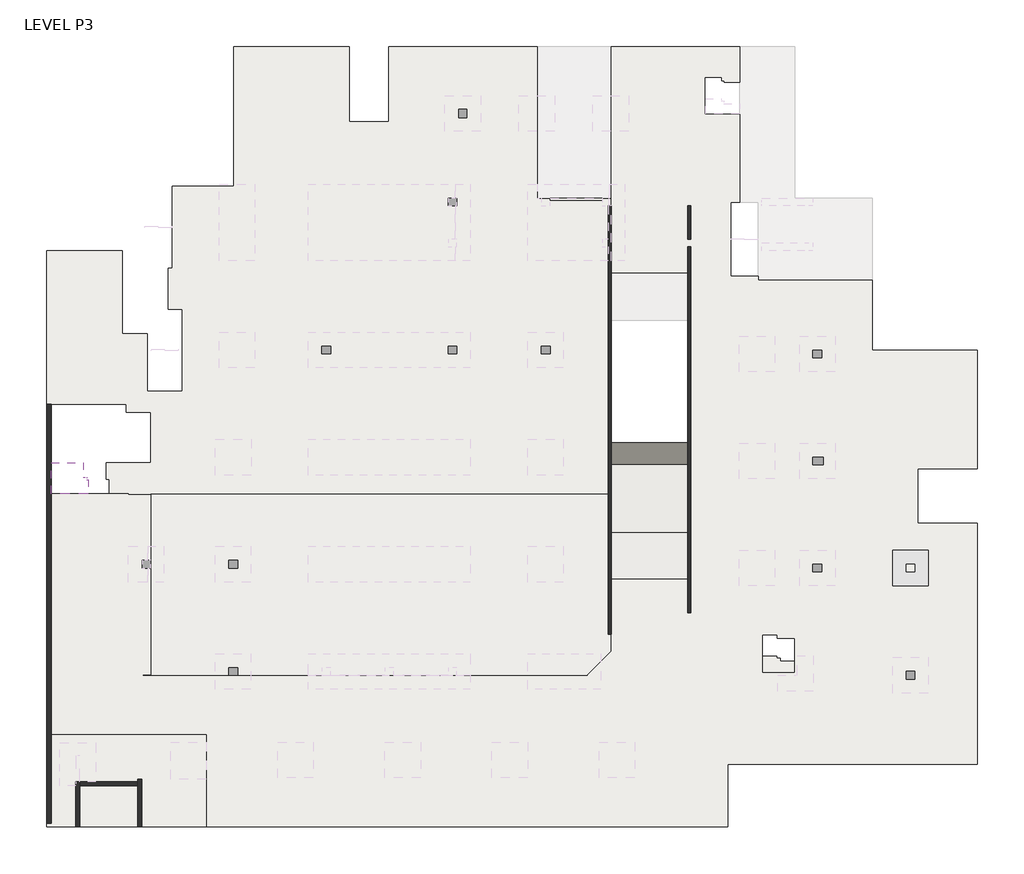
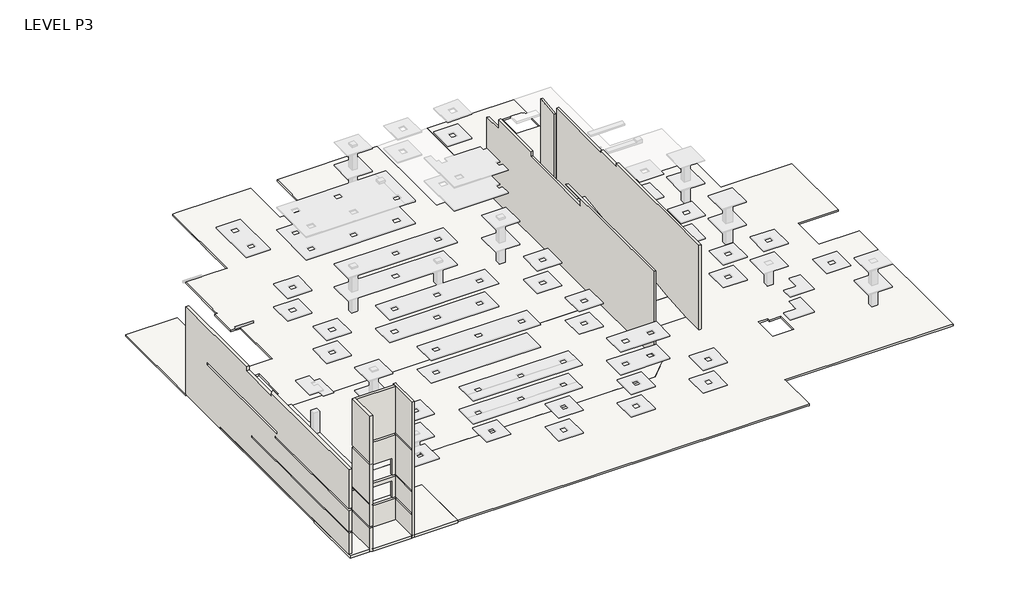
# One storey, part 1 of 4: 10 slabs, 7 walls.
"""IFC4 building model written with IfcOpenShell, lengths in millimetres."""

from ifc_helpers import new_model, si_unit, frame, origin, place, context, project, spatial, polyline, outline, extrude, faceted_brep, element, save

model = new_model("IFC4")

# Units and contexts
model_context = context("Model", 3, world=origin())
ifc_project = project(units=[si_unit("LENGTHUNIT", "METRE", prefix="MILLI")], contexts=[model_context])

# Site, building, storey
site = spatial("IfcSite", under=ifc_project)
building = spatial("IfcBuilding", under=site)
storey = spatial("IfcBuildingStorey", under=building, Name="LEVEL P3", Elevation=-11000.0)

# Slabs
placement = place(None, origin())
element("IfcSlab", 1, ObjectType="200 SLAB", at=placement, inside=storey, context=model_context, shape_type="SweptSolid", body=[
    extrude(outline(polyline([(181286.3204833, 183507.2325529), (178361.1491693, 183507.2325529), (178361.1491693, 185907.2325529), (180906.3204833, 185907.2325529), (180906.3204833, 184807.2325529), (181161.3204833, 184807.2325529), (181161.3204833, 184607.2325529), (181286.3204833, 184607.2325529), (181286.3204833, 183507.2325529)])), frame((0.0, 0.0, -9800.0), z_axis=(0.0, 0.0, 1.0), x_axis=(1.0, 0.0, 0.0)), (0.0, 0.0, 1.0), 200.0),
])
element("IfcSlab", 2, ObjectType="200 SLAB", at=placement, inside=storey, context=model_context, shape_type="Brep", body=[
    faceted_brep([(242751.1491692, 194763.2322067, -11000.0), (251011.1491692, 194763.2322067, -11000.0), (251011.1491692, 194163.2322067, -11000.0), (251011.1491692, 185463.2318341, -11000.0), (250711.1491692, 185463.2318341, -11000.0), (246311.1491692, 185463.2318341, -11000.0), (246311.1491692, 181163.2322067, -11000.0), (250711.1491692, 181163.2322067, -11000.0), (251011.1491692, 181163.2322067, -11000.0), (251011.1491692, 162263.2318341, -11000.0), (250711.1491692, 162263.2318341, -11000.0), (231436.3204833, 162263.2318341, -11000.0), (231436.3204833, 157363.2318341, -11000.0), (231136.3204833, 157363.2318341, -11000.0), (190536.3204833, 157363.2318341, -11000.0), (190536.3204833, 164613.2318341, -11000.0), (178011.1491693, 164613.2318341, -11000.0), (178011.1491693, 183507.2325529, -11000.0), (178361.1491693, 183507.2325529, -11000.0), (184151.1489175, 183507.2325529, -11000.0), (184401.1489175, 183507.2325529, -11000.0), (184401.1489175, 183397.2325529, -11000.0), (186201.1489175, 183397.2325529, -11000.0), (186201.1489175, 182797.2325529, -11000.0), (186201.1489175, 169263.2322067, -11000.0), (220406.1491692, 169263.2322067, -11000.0), (222296.1491692, 171153.2322067, -11000.0), (222296.1491692, 176802.6490053, -11000.0), (228296.1491692, 176802.6490053, -11000.0), (228296.1491692, 198113.1035508, -11000.0), (228296.1491692, 200767.6490053, -11000.0), (222296.1491692, 200767.6490053, -11000.0), (222296.1491692, 201763.2322067, -11000.0), (222296.1491692, 206663.2322067, -11000.0), (222296.1491692, 218563.2318341, -11000.0), (232377.4721706, 218563.2318341, -11000.0), (232377.4721706, 218263.2318341, -11000.0), (232377.4721706, 213278.2318341, -11000.0), (232377.4721706, 206363.1983002, -11000.0), (231652.4721706, 206363.1983002, -11000.0), (231652.4721706, 200548.1983002, -11000.0), (233812.4721706, 200548.1983002, -11000.0), (233812.4721706, 200248.1983002, -11000.0), (242751.1491692, 200248.1983002, -11000.0), (229682.0250868, 216124.5274851, -11000.0), (229682.0250868, 213278.2318341, -11000.0), (229685.5971201, 213278.2318341, -11000.0), (232375.5971201, 213278.2318341, -11000.0), (232375.5971201, 215734.5274851, -11000.0), (231130.5971201, 215734.5274851, -11000.0), (231130.5971201, 215859.5274851, -11000.0), (230930.5971201, 215859.5274851, -11000.0), (230930.5971201, 216113.2318341, -11000.0), (230930.5971201, 216124.5274851, -11000.0), (234188.4739802, 169513.2322067, -11000.0), (236628.4739802, 169513.2322067, -11000.0), (236628.4739802, 172143.2322067, -11000.0), (235288.4739802, 172143.2322067, -11000.0), (235288.4739802, 172398.2322067, -11000.0), (234188.4739802, 172398.2322067, -11000.0), (228296.1491692, 200767.6490053, -10800.0), (228296.1491692, 176802.6490053, -10800.0), (222296.1491692, 176802.6490053, -10800.0), (222296.1491692, 171153.2322067, -10800.0), (220406.1491692, 169263.2322067, -10800.0), (186201.1489175, 169263.2322067, -10800.0), (186201.1489175, 183397.2325529, -10800.0), (184401.1489175, 183397.2325529, -10800.0), (184401.1489175, 183507.2325529, -10800.0), (184151.1489175, 183507.2325529, -10800.0), (178361.1491693, 183507.2325529, -10800.0), (178011.1491693, 183507.2325529, -10800.0), (178011.1491693, 164613.2318341, -10800.0), (190536.3204833, 164613.2318341, -10800.0), (190536.3204833, 157363.2318341, -10800.0), (231136.3204833, 157363.2318341, -10800.0), (231436.3204833, 157363.2318341, -10800.0), (231436.3204833, 162263.2318341, -10800.0), (250711.1491692, 162263.2318341, -10800.0), (251011.1491692, 162263.2318341, -10800.0), (251011.1491692, 181163.2322067, -10800.0), (250711.1491692, 181163.2322067, -10800.0), (246311.1491692, 181163.2322067, -10800.0), (246311.1491692, 185463.2318341, -10800.0), (250711.1491692, 185463.2318341, -10800.0), (251011.1491692, 185463.2318341, -10800.0), (251011.1491692, 194163.2322067, -10800.0), (251011.1491692, 194763.2322067, -10800.0), (242751.1491692, 194763.2322067, -10800.0), (242751.1491692, 200248.1983002, -10800.0), (233812.4721706, 200248.1983002, -10800.0), (233812.4721706, 200548.1983002, -10800.0), (231652.4721706, 200548.1983002, -10800.0), (231652.4721706, 206363.1983002, -10800.0), (232377.4721706, 206363.1983002, -10800.0), (232377.4721706, 218563.2318341, -10800.0), (222296.1491692, 218563.2318341, -10800.0), (222296.1491692, 200767.6490053, -10800.0), (229682.0250868, 213278.2318341, -10800.0), (229682.0250868, 216124.5274851, -10800.0), (230930.5971201, 216124.5274851, -10800.0), (230930.5971201, 216113.2318341, -10800.0), (230930.5971201, 215859.5274851, -10800.0), (231130.5971201, 215859.5274851, -10800.0), (231130.5971201, 215734.5274851, -10800.0), (232375.5971201, 215734.5274851, -10800.0), (232375.5971201, 213278.2318341, -10800.0), (229685.5971201, 213278.2318341, -10800.0), (236628.4739802, 169513.2322067, -10800.0), (234188.4739802, 169513.2322067, -10800.0), (234188.4739802, 172398.2322067, -10800.0), (235288.4739802, 172398.2322067, -10800.0), (235288.4739802, 172143.2322067, -10800.0), (236628.4739802, 172143.2322067, -10800.0)], [[[0, 1, 2, 3, 4, 5, 6, 7, 8, 9, 10, 11, 12, 13, 14, 15, 16, 17, 18, 19, 20, 21, 22, 23, 24, 25, 26, 27, 28, 29, 30, 31, 32, 33, 34, 35, 36, 37, 38, 39, 40, 41, 42, 43], [44, 45, 46, 47, 48, 49, 50, 51, 52, 53], [54, 55, 56, 57, 58, 59]], [[60, 61, 62, 63, 64, 65, 66, 67, 68, 69, 70, 71, 72, 73, 74, 75, 76, 77, 78, 79, 80, 81, 82, 83, 84, 85, 86, 87, 88, 89, 90, 91, 92, 93, 94, 95, 96, 97], [98, 99, 100, 101, 102, 103, 104, 105, 106, 107], [108, 109, 110, 111, 112, 113]], [[61, 60, 30, 29, 28]], [[88, 0, 43, 89]], [[1, 0, 88, 87]], [[3, 2, 1, 87, 86, 85]], [[5, 4, 3, 85, 84, 83]], [[6, 5, 83, 82]], [[8, 7, 6, 82, 81, 80]], [[9, 8, 80, 79]], [[11, 10, 9, 79, 78, 77]], [[12, 11, 77, 76]], [[14, 13, 12, 76, 75, 74]], [[17, 16, 72, 71]], [[25, 24, 65, 64]], [[28, 27, 62, 61]], [[26, 25, 64, 63]], [[27, 26, 63, 62]], [[20, 19, 18, 17, 71, 70, 69, 68]], [[21, 20, 68, 67]], [[22, 21, 67, 66]], [[24, 23, 22, 66, 65]], [[31, 30, 60, 97]], [[34, 33, 32, 31, 97, 96]], [[34, 96, 95, 35]], [[48, 105, 104, 49]], [[45, 44, 99, 98]], [[45, 98, 107, 106, 47, 46]], [[48, 47, 106, 105]], [[55, 54, 109, 108]], [[56, 55, 108, 113]], [[57, 56, 113, 112]], [[58, 57, 112, 111]], [[59, 58, 111, 110]], [[54, 59, 110, 109]], [[100, 53, 52, 51, 102, 101]], [[44, 53, 100, 99]], [[15, 14, 74, 73]], [[16, 15, 73, 72]], [[93, 39, 38, 94]], [[39, 93, 92, 40]], [[40, 92, 91, 41]], [[42, 90, 89, 43]], [[90, 42, 41, 91]], [[38, 37, 36, 35, 95, 94]], [[103, 50, 49, 104]], [[50, 103, 102, 51]]]),
])
element("IfcSlab", 3, ObjectType="200 SLAB", at=placement, inside=storey, context=model_context, shape_type="Brep", body=[
    faceted_brep([(220406.1491692, 169263.2322067, -11000.0198364), (185601.1489175, 169263.2322067, -11000.0198364), (185601.1489175, 182797.2325529, -11190.6395595), (186201.1489175, 182797.2325529, -11190.6395595), (186201.1489175, 183463.2322067, -11200.0198364), (222296.1491692, 183463.2322067, -11200.0198364), (222296.1491692, 171153.2322067, -11026.6395547), (220406.1491692, 169263.2322067, -10800.0), (222296.1491692, 171153.2322067, -10826.6197183), (222296.1491692, 183463.2322067, -11000.0), (186201.1489175, 183463.2322067, -11000.0), (186201.1489175, 182797.2325529, -10990.6197232), (185601.1489175, 182797.2325529, -10990.6197232), (185601.1489175, 169263.2322067, -10800.0)], [[[0, 1, 2, 3, 4, 5, 6]], [[7, 8, 9, 10, 11, 12, 13]], [[1, 0, 7, 13]], [[2, 1, 13, 12]], [[5, 4, 10, 9]], [[6, 5, 9, 8]], [[0, 6, 8, 7]], [[3, 2, 12, 11]], [[4, 3, 11, 10]]]),
])
element("IfcSlab", 4, ObjectType="200 SLAB", at=placement, inside=storey, context=model_context, shape_type="Brep", body=[
    faceted_brep([(186201.1489175, 183463.2322067, -11200.0), (186201.1489175, 182797.2325529, -11200.0), (184401.1489175, 182797.2325529, -11200.0), (184401.1489175, 183257.2325529, -11200.0), (184151.1489175, 183257.2325529, -11200.0), (182941.3204833, 183257.2325529, -11200.0), (182941.3204833, 184617.2325529, -11200.0), (182681.3204833, 184617.2325529, -11200.0), (182681.3204833, 185907.2325529, -11200.0), (184151.1489175, 185907.2325529, -11200.0), (184401.1489175, 185907.2325529, -11200.0), (186201.1489175, 185907.2325529, -11200.0), (186201.1489175, 189878.8314181, -11200.0), (184256.1489175, 189878.8314181, -11200.0), (184256.1489175, 190507.2325529, -11200.0), (178361.1491693, 190507.2325529, -11200.0), (178011.1491693, 190507.2325529, -11200.0), (178011.1491693, 202193.1983002, -11200.0), (178011.1491693, 202548.2318341, -11200.0), (183951.1491693, 202548.2318341, -11200.0), (183951.1491693, 196057.6490083, -11200.0), (185901.1489175, 196057.6490083, -11200.0), (185901.1489175, 191542.6490083, -11200.0), (188661.1489175, 191542.6490083, -11200.0), (188661.1489175, 197957.6490083, -11200.0), (187556.1491692, 197957.6490083, -11200.0), (187556.1491692, 201193.1983002, -11200.0), (187861.1489205, 201193.1983002, -11200.0), (187861.1489205, 201493.1983002, -11200.0), (187861.1489205, 207308.1983002, -11200.0), (187861.1489205, 207608.1983002, -11200.0), (192696.1491692, 207608.1983002, -11200.0), (192696.1491692, 211913.2318341, -11200.0), (192696.1491692, 212963.2318341, -11200.0), (192696.1491692, 213663.2318341, -11200.0), (192696.1491692, 214713.2318341, -11200.0), (192696.1491692, 218563.2318341, -11200.0), (193106.1491692, 218563.2318341, -11200.0), (201751.1491692, 218563.2318341, -11200.0), (201751.1491692, 218263.2318341, -11200.0), (201751.1491692, 214713.2318341, -11200.0), (201751.1491692, 212663.2318341, -11200.0), (204851.1491692, 212663.2318341, -11200.0), (204852.1491692, 212663.2318341, -11200.0), (204852.1491692, 218263.2318341, -11200.0), (204852.1491692, 218563.2318341, -11200.0), (216475.5971201, 218563.2318341, -11200.0), (216496.1491692, 218563.2318341, -11200.0), (216496.1491692, 207263.2322067, -11200.0), (222296.1491692, 207263.2322067, -11200.0), (222296.1491692, 183463.2322067, -11200.0), (186201.1489175, 183463.2322067, -11000.0), (222296.1491692, 183463.2322067, -11000.0), (222296.1491692, 207263.2322067, -11000.0), (216496.1491692, 207263.2322067, -11000.0), (216496.1491692, 218563.2318341, -11000.0), (216475.5971201, 218563.2318341, -11000.0), (204852.1491692, 218563.2318341, -11000.0), (204852.1491692, 218263.2318341, -11000.0), (204852.1491692, 212663.2318341, -11000.0), (201751.1491692, 212663.2318341, -11000.0), (201751.1491692, 218263.2318341, -11000.0), (201751.1491692, 218563.2318341, -11000.0), (193106.1491692, 218563.2318341, -11000.0), (192696.1491692, 218563.2318341, -11000.0), (192696.1491692, 207608.1983002, -11000.0), (187861.1489205, 207608.1983002, -11000.0), (187861.1489205, 207308.1983002, -11000.0), (187861.1489205, 206083.2322067, -11000.0), (187861.1489205, 202718.2322067, -11000.0), (187861.1489205, 201493.1983002, -11000.0), (187861.1489205, 201193.1983002, -11000.0), (187556.1491692, 201193.1983002, -11000.0), (187556.1491692, 197957.6490083, -11000.0), (188661.1489175, 197957.6490083, -11000.0), (188661.1489175, 191542.6490083, -11000.0), (185901.1489175, 191542.6490083, -11000.0), (185901.1489175, 196057.6490083, -11000.0), (183951.1491693, 196057.6490083, -11000.0), (183951.1491693, 202548.2318341, -11000.0), (178011.1491693, 202548.2318341, -11000.0), (178011.1491693, 202193.1983002, -11000.0), (178011.1491693, 190507.2325529, -11000.0), (178361.1491693, 190507.2325529, -11000.0), (184256.1489175, 190507.2325529, -11000.0), (184256.1489175, 189878.8314181, -11000.0), (186201.1489175, 189878.8314181, -11000.0), (186201.1489175, 185907.2325529, -11000.0), (182681.3204833, 185907.2325529, -11000.0), (182681.3204833, 184617.2325529, -11000.0), (182941.3204833, 184617.2325529, -11000.0), (182941.3204833, 183257.2325529, -11000.0), (184151.1489175, 183257.2325529, -11000.0), (184401.1489175, 183257.2325529, -11000.0), (184401.1489175, 182797.2325529, -11000.0), (186201.1489175, 182797.2325529, -11000.0), (186201.1489175, 183397.2325529, -11000.0)], [[[0, 1, 2, 3, 4, 5, 6, 7, 8, 9, 10, 11, 12, 13, 14, 15, 16, 17, 18, 19, 20, 21, 22, 23, 24, 25, 26, 27, 28, 29, 30, 31, 32, 33, 34, 35, 36, 37, 38, 39, 40, 41, 42, 43, 44, 45, 46, 47, 48, 49, 50]], [[51, 52, 53, 54, 55, 56, 57, 58, 59, 60, 61, 62, 63, 64, 65, 66, 67, 68, 69, 70, 71, 72, 73, 74, 75, 76, 77, 78, 79, 80, 81, 82, 83, 84, 85, 86, 87, 88, 89, 90, 91, 92, 93, 94, 95, 96]], [[23, 22, 76, 75]], [[25, 24, 74, 73]], [[26, 25, 73, 72]], [[27, 26, 72, 71]], [[36, 35, 34, 33, 32, 31, 65, 64]], [[38, 37, 36, 64, 63, 62]], [[41, 40, 39, 38, 62, 61, 60]], [[43, 42, 41, 60, 59]], [[45, 44, 43, 59, 58, 57]], [[47, 46, 45, 57, 56, 55]], [[50, 49, 53, 52]], [[0, 50, 52, 51]], [[24, 23, 75, 74]], [[30, 29, 28, 27, 71, 70, 69, 68, 67, 66]], [[31, 30, 66, 65]], [[48, 47, 55, 54]], [[49, 48, 54, 53]], [[12, 11, 87, 86]], [[13, 12, 86, 85]], [[14, 13, 85, 84]], [[16, 15, 14, 84, 83, 82]], [[18, 17, 16, 82, 81, 80]], [[19, 18, 80, 79]], [[20, 19, 79, 78]], [[21, 20, 78, 77]], [[22, 21, 77, 76]], [[1, 0, 51, 96, 95]], [[5, 4, 3, 93, 92, 91]], [[6, 5, 91, 90]], [[7, 6, 90, 89]], [[8, 7, 89, 88]], [[11, 10, 9, 8, 88, 87]], [[2, 1, 95, 94]], [[3, 2, 94, 93]]]),
])
element("IfcSlab", 5, ObjectType="200 SLAB", at=placement, inside=storey, context=model_context, shape_type="SweptSolid", body=[
    extrude(outline(polyline([(234188.4739802, 169513.2322067), (234188.4739802, 170738.2322067), (235288.4739802, 170738.2322067), (235288.4739802, 170613.2322067), (235528.4739802, 170613.2322067), (235528.4739802, 170358.2322067), (236628.4739802, 170358.2322067), (236628.4739802, 169513.2322067), (234188.4739802, 169513.2322067)])), frame((0.0, 0.0, -12400.0), z_axis=(0.0, 0.0, 1.0), x_axis=(1.0, 0.0, 0.0)), (0.0, 0.0, 1.0), 200.0),
])
element("IfcSlab", 6, ObjectType="225 SLAB", at=placement, inside=storey, context=model_context, shape_type="Brep", body=[
    faceted_brep([(228296.1491692, 176802.6490053, -11025.6377011), (222296.1491692, 176802.6490053, -11025.6377011), (222296.1491692, 180452.6490053, -10750.6377011), (228296.1491692, 180452.6490053, -10750.6377011), (228296.1491692, 179797.4766746, -10800.0), (228296.1491692, 177142.93122, -11000.0), (228296.1491692, 176802.6490053, -10800.0), (228296.1491692, 180452.6490053, -10525.0), (222296.1491692, 180452.6490053, -10525.0), (222296.1491692, 176802.6490053, -10800.0), (228296.1491692, 176802.6490053, -11000.0), (222296.1491692, 176802.6490053, -11000.0)], [[[0, 1, 2, 3, 4, 5]], [[6, 7, 8, 9]], [[7, 6, 10, 0, 5, 4, 3]], [[1, 0, 10, 6, 9, 11]], [[2, 1, 11, 9, 8]], [[3, 2, 8, 7]]]),
])
element("IfcSlab", 7, ObjectType="225 SLAB", at=placement, inside=storey, context=model_context, shape_type="Brep", body=[
    faceted_brep([(222296.1491692, 197117.6490053, -8502.0414614), (228296.1491692, 197117.6490053, -8502.0414614), (228296.1491692, 180452.6490053, -10752.0414614), (222296.1491692, 180452.6490053, -10752.0414614), (222296.1491692, 197117.6490053, -8275.0), (222296.1491692, 180452.6490053, -10525.0), (228296.1491692, 180452.6490053, -10525.0), (228296.1491692, 197117.6490053, -8275.0), (228296.1491692, 197117.6490053, -8500.6377011), (228296.1491692, 180452.6490053, -10750.6377011), (222296.1491692, 180452.6490053, -10750.6377011), (222296.1491692, 197117.6490053, -8500.6377011)], [[[0, 1, 2, 3]], [[4, 5, 6, 7]], [[2, 1, 8, 7, 6, 9]], [[3, 2, 9, 6, 5, 10]], [[0, 3, 10, 5, 4, 11]], [[1, 0, 11, 4, 7, 8]]]),
])
element("IfcSlab", 8, ObjectType="310 SLAB AS DROP", at=placement, inside=storey, context=model_context, shape_type="Brep", body=[
    faceted_brep([(223346.1491692, 207763.2322067, -11310.0), (223346.1491692, 201763.2322067, -11310.0), (222296.1491692, 201763.2322067, -11310.0), (222296.1491692, 206663.2322067, -11310.0), (221596.1491692, 206663.2322067, -11310.0), (217496.1491692, 206663.2322067, -11310.0), (216796.1491692, 206663.2322067, -11310.0), (216496.1491692, 206663.2322067, -11310.0), (216496.1491692, 207763.2322067, -11310.0), (223346.1491692, 207763.2322067, -11000.0), (216496.1491692, 207763.2322067, -11000.0), (216496.1491692, 206663.2322067, -11000.0), (222296.1491692, 206663.2322067, -11000.0), (222296.1491692, 201763.2322067, -11000.0), (223346.1491692, 201763.2322067, -11000.0), (216496.1491692, 206663.2322067, -11200.0), (216496.1491692, 207763.2322067, -11200.0)], [[[0, 1, 2, 3, 4, 5, 6, 7, 8]], [[9, 10, 11, 12, 13, 14]], [[1, 0, 9, 14]], [[2, 1, 14, 13]], [[3, 2, 13, 12]], [[7, 6, 5, 4, 3, 12, 11, 15]], [[8, 7, 15, 11, 10, 16]], [[0, 8, 16, 10, 9]]]),
])
element("IfcSlab", 9, ObjectType="310 TRANSFER SLAB", at=placement, inside=storey, context=model_context, shape_type="Brep", body=[
    faceted_brep([(178011.1491693, 164613.2318341, -11110.0), (178361.1491693, 164613.2318341, -11110.0), (190536.3204833, 164613.2318341, -11110.0), (190536.3204833, 157663.2318341, -11110.0), (190536.3204833, 157363.2318341, -11110.0), (185471.3204833, 157363.2318341, -11110.0), (185171.3204833, 157363.2318341, -11110.0), (180611.3204833, 157363.2318341, -11110.0), (180311.3204833, 157363.2318341, -11110.0), (178361.1491693, 157363.2318341, -11110.0), (178011.1491693, 157363.2318341, -11110.0), (190536.3204833, 164613.2318341, -10800.0), (178011.1491693, 164613.2318341, -10800.0), (178011.1491693, 157663.2318341, -10800.0), (178011.1491693, 157363.2318341, -10800.0), (180311.3204833, 157363.2318341, -10800.0), (180611.3204833, 157363.2318341, -10800.0), (185171.3204833, 157363.2318341, -10800.0), (185471.3204833, 157363.2318341, -10800.0), (190536.3204833, 157363.2318341, -10800.0), (190536.3204833, 157663.2318341, -10800.0), (178011.1491693, 164613.2318341, -11000.0), (190536.3204833, 164613.2318341, -11000.0), (190536.3204833, 157363.2318341, -11000.0)], [[[0, 1, 2, 3, 4, 5, 6, 7, 8, 9, 10]], [[11, 12, 13, 14, 15, 16, 17, 18, 19, 20]], [[2, 1, 0, 21, 12, 11, 22]], [[4, 3, 2, 22, 11, 20, 19, 23]], [[10, 9, 8, 7, 6, 5, 4, 23, 19, 18, 17, 16, 15, 14]], [[0, 10, 14, 13, 12, 21]]]),
])
element("IfcSlab", 10, ObjectType="F2A - 600mm Concrete Curb", at=placement, inside=storey, context=model_context, shape_type="SweptSolid", body=[
    extrude(outline(polyline([(217496.1491692, 206663.2322067), (221596.1491692, 206663.2322067), (221596.1491692, 206513.2322067), (217496.1491692, 206513.2322067), (217496.1491692, 206663.2322067)])), frame((0.0, 0.0, -11000.0), z_axis=(0.0, 0.0, 1.0), x_axis=(1.0, 0.0, 0.0)), (0.0, 0.0, 1.0), 600.0),
])

# Walls
element("IfcWall", 11, ObjectType="250 WALL", at=placement, inside=storey, context=model_context, shape_type="SweptSolid", body=[
    extrude(outline(polyline([(206063.2322067, -11000.0), (203463.2322067, -11000.0), (203463.2322067, -2044.3108938), (206063.2322067, -1693.2700003), (206063.2322067, -11000.0)])), frame((228296.1491692, 0.0, 0.0), z_axis=(1.0, 0.0, 0.0), x_axis=(0.0, 1.0, 0.0)), (0.0, 0.0, 1.0), 250.0),
])
element("IfcWall", 12, ObjectType="250 WALL", at=placement, inside=storey, context=model_context, shape_type="Brep", body=[
    faceted_brep([(222296.1491692, 172463.2322067, -11223.3173459), (222296.1491692, 206063.2322067, -11223.3173459), (222296.1491692, 206063.2322067, -8510.0), (222296.1491692, 206063.2322067, -8200.0), (222296.1491692, 206063.2322067, -1789.121225), (222296.1491692, 205332.3763447, -1789.121225), (222296.1491692, 203725.1978642, -1789.121225), (222296.1491692, 203725.1978642, -643.7037845), (222296.1491692, 197237.649378, -643.7037845), (222296.1491692, 197237.649378, -1250.0), (222296.1491692, 187272.649378, -1250.0), (222296.1491692, 187272.649378, -450.0), (222296.1491692, 189542.649378, -450.0), (222296.1491692, 190142.649378, -450.0), (222296.1491692, 190142.649378, -380.0), (222296.1491692, 189542.649378, -380.0), (222296.1491692, 172463.2322067, -380.0), (222046.1491692, 206063.2322067, -11223.3173459), (222046.1491692, 172463.2322067, -11223.3173459), (222046.1491692, 172463.2322067, -380.0), (222046.1491692, 190142.649378, -380.0), (222046.1491692, 190142.649378, -450.0), (222046.1491692, 187272.649378, -450.0), (222046.1491692, 187272.649378, -1250.0), (222046.1491692, 197237.649378, -1250.0), (222046.1491692, 197237.649378, -643.7037845), (222046.1491692, 203725.1978642, -643.7037845), (222046.1491692, 203725.1978642, -1789.121225), (222046.1491692, 206063.2322067, -1789.121225), (222046.1491692, 206063.2322067, -5600.0), (222046.1491692, 206063.2322067, -5710.0), (222046.1491692, 206063.2322067, -8400.0), (222046.1491692, 206063.2322067, -8510.0), (222046.1491692, 206063.2322067, -11200.0), (222096.1491692, 190142.649378, -380.0)], [[[0, 1, 2, 3, 4, 5, 6, 7, 8, 9, 10, 11, 12, 13, 14, 15, 16]], [[17, 18, 19, 20, 21, 22, 23, 24, 25, 26, 27, 28, 29, 30, 31, 32, 33]], [[1, 0, 18, 17]], [[1, 17, 33, 32, 31, 30, 29, 28, 4, 3, 2]], [[25, 8, 7, 26]], [[0, 16, 19, 18]], [[16, 15, 14, 34, 20, 19]], [[9, 24, 23, 10]], [[22, 21, 13, 12, 11]], [[10, 23, 22, 11]], [[24, 9, 8, 25]], [[20, 34, 14, 13, 21]], [[27, 6, 5, 4, 28]], [[6, 27, 26, 7]]]),
])
element("IfcWall", 13, ObjectType="250 WALL", at=placement, inside=storey, context=model_context, shape_type="Brep", body=[
    faceted_brep([(228546.1491692, 174171.4302583, -11000.0), (228546.1491692, 202863.2322067, -11000.0), (228546.1491692, 202863.2322067, -2125.3203308), (228546.1491692, 202863.2322067, -1898.2788024), (228546.1491692, 202863.2322067, -910.0), (228546.1491692, 193912.649378, -910.0), (228546.1491692, 193912.649378, -700.0), (228546.1491692, 190782.649378, -700.0), (228546.1491692, 190782.649378, -380.0), (228546.1491692, 186713.2322067, -380.0), (228546.1491692, 186013.2322067, -380.0), (228546.1491692, 178313.2322067, -380.0), (228546.1491692, 177613.2322067, -380.0), (228546.1491692, 174171.4302583, -380.0), (228296.1491692, 202863.2322067, -11000.0), (228296.1491692, 174171.4302583, -11000.0), (228296.1491692, 174171.4302583, -380.0), (228296.1491692, 190782.649378, -380.0), (228296.1491692, 190782.649378, -700.0), (228296.1491692, 193912.649378, -700.0), (228296.1491692, 193912.649378, -910.0), (228296.1491692, 202863.2322067, -910.0), (228296.1491692, 202863.2322067, -920.6679389), (228296.1491692, 202863.2322067, -1898.2788024), (228296.1491692, 202863.2322067, -2125.3203308)], [[[0, 1, 2, 3, 4, 5, 6, 7, 8, 9, 10, 11, 12, 13]], [[14, 15, 16, 17, 18, 19, 20, 21, 22, 23, 24]], [[1, 0, 15, 14]], [[1, 14, 24, 23, 22, 21, 4, 3, 2]], [[13, 12, 11, 10, 9, 8, 17, 16]], [[0, 13, 16, 15]], [[5, 4, 21, 20]], [[6, 5, 20, 19]], [[7, 6, 19, 18]], [[8, 7, 18, 17]]]),
])
element("IfcWall", 14, ObjectType="300 WALL", at=placement, inside=storey, context=model_context, shape_type="Brep", body=[
    faceted_brep([(180611.3204833, 160913.2318341, 5600.0), (180611.3204833, 160613.2318341, 5600.0), (180611.3204833, 157662.6490053, 5600.0), (180611.3204833, 157362.6490053, 5600.0), (180611.3204833, 157362.6490053, -130.0), (180611.3204833, 157362.6490053, -8000.0), (180611.3204833, 157363.2318341, -8000.0), (180611.3204833, 157663.2318341, -8000.0), (180611.3204833, 160613.2318341, -8000.0), (180611.3204833, 160913.2318341, -8000.0), (180611.3204833, 160913.2318341, -5400.0), (180611.3204833, 160613.2318341, -5400.0), (180611.3204833, 157663.2318341, -5400.0), (180611.3204833, 157363.2318341, -5400.0), (180611.3204833, 157363.2318341, -5200.0), (180611.3204833, 157663.2318341, -5200.0), (180611.3204833, 160613.2318341, -5200.0), (180611.3204833, 160913.2318341, -5200.0), (180611.3204833, 160913.2318341, -380.0), (180611.3204833, 160613.2318341, -380.0), (180611.3204833, 157663.2318341, -380.0), (180611.3204833, 157363.2318341, -380.0), (180611.3204833, 157363.2318341, -130.0), (180611.3204833, 157662.6490053, -130.0), (180611.3204833, 157663.2318341, -130.0), (180611.3204833, 160613.2318341, -130.0), (180611.3204833, 160913.2318341, -130.0), (180311.3204833, 157362.6490053, 5600.0), (180311.3204833, 160913.2318341, 5600.0), (180311.3204833, 160913.2318341, -130.0), (180311.3204833, 157363.2318341, -130.0), (180311.3204833, 157363.2318341, -380.0), (180311.3204833, 157663.2318341, -380.0), (180311.3204833, 160913.2318341, -380.0), (180311.3204833, 160913.2318341, -5200.0), (180311.3204833, 157663.2318341, -5200.0), (180311.3204833, 157363.2318341, -5200.0), (180311.3204833, 157363.2318341, -5400.0), (180311.3204833, 157663.2318341, -5400.0), (180311.3204833, 160613.2318341, -5400.0), (180311.3204833, 160913.2318341, -5400.0), (180311.3204833, 160913.2318341, -8000.0), (180311.3204833, 157663.2318341, -8000.0), (180311.3204833, 157363.2318341, -8000.0), (180311.3204833, 157362.6490053, -8000.0)], [[[0, 1, 2, 3, 4, 5, 6, 7, 8, 9, 10, 11, 12, 13, 14, 15, 16, 17, 18, 19, 20, 21, 22, 23, 24, 25, 26]], [[27, 28, 29, 30, 31, 32, 33, 34, 35, 36, 37, 38, 39, 40, 41, 42, 43, 44]], [[3, 2, 1, 0, 28, 27]], [[3, 27, 44, 5, 4]], [[28, 0, 26, 29]], [[9, 41, 40, 10]], [[17, 34, 33, 18]], [[7, 6, 5, 44, 43, 42, 41, 9, 8]], [[37, 13, 12, 11, 10, 40, 39, 38]], [[14, 36, 35, 34, 17, 16, 15]], [[13, 37, 36, 14]], [[31, 21, 20, 19, 18, 33, 32]], [[22, 30, 29, 26, 25, 24, 23]], [[21, 31, 30, 22]]]),
    faceted_brep([(180611.3204833, 157362.6490053, -11110.0), (180611.3204833, 157363.2318341, -11110.0), (180611.3204833, 157363.2318341, -10800.0), (180611.3204833, 157663.2318341, -10800.0), (180611.3204833, 160613.2318341, -10800.0), (180611.3204833, 160913.2318341, -10800.0), (180611.3204833, 160913.2318341, -8200.0), (180611.3204833, 160613.2318341, -8200.0), (180611.3204833, 157663.2318341, -8200.0), (180611.3204833, 157363.2318341, -8200.0), (180611.3204833, 157362.6490053, -8200.0), (180311.3204833, 157363.2318341, -11110.0), (180311.3204833, 157362.6490053, -11110.0), (180311.3204833, 157362.6490053, -8200.0), (180311.3204833, 157363.2318341, -8200.0), (180311.3204833, 157663.2318341, -8200.0), (180311.3204833, 160913.2318341, -8200.0), (180311.3204833, 160913.2318341, -10800.0), (180311.3204833, 157663.2318341, -10800.0), (180311.3204833, 157363.2318341, -10800.0)], [[[0, 1, 2, 3, 4, 5, 6, 7, 8, 9, 10]], [[11, 12, 13, 14, 15, 16, 17, 18, 19]], [[0, 12, 11, 1]], [[12, 0, 10, 13]], [[5, 17, 16, 6]], [[2, 19, 18, 17, 5, 4, 3]], [[19, 2, 1, 11]], [[10, 9, 8, 7, 6, 16, 15, 14, 13]]]),
])
element("IfcWall", 15, ObjectType="300 WALL", at=placement, inside=storey, context=model_context, shape_type="Brep", body=[
    faceted_brep([(185171.3204833, 160613.2318341, 5600.0), (180611.3204833, 160613.2318341, 5600.0), (180611.3204833, 160613.2318341, -130.0), (185171.3204833, 160613.2318341, -130.0), (180611.3204833, 160913.2318341, 5600.0), (185171.3204833, 160913.2318341, 5600.0), (185171.3204833, 160913.2318341, -130.0), (180611.3204833, 160913.2318341, -130.0)], [[[0, 1, 2, 3]], [[4, 5, 6, 7]], [[1, 0, 5, 4]], [[1, 4, 7, 2]], [[5, 0, 3, 6]], [[3, 2, 7, 6]]]),
    faceted_brep([(185171.3204833, 160613.2318341, -380.0), (180611.3204833, 160613.2318341, -380.0), (180611.3204833, 160613.2318341, -5200.0), (180971.3204833, 160613.2318341, -5200.0), (180971.3204833, 160613.2318341, -3132.6), (184791.3204833, 160613.2318341, -3132.6), (184791.3204833, 160613.2318341, -5200.0), (185171.3204833, 160613.2318341, -5200.0), (180611.3204833, 160913.2318341, -380.0), (185171.3204833, 160913.2318341, -380.0), (185171.3204833, 160913.2318341, -5200.0), (184791.3204833, 160913.2318341, -5200.0), (184791.3204833, 160913.2318341, -3132.6), (180971.3204833, 160913.2318341, -3132.6), (180971.3204833, 160913.2318341, -5200.0), (180611.3204833, 160913.2318341, -5200.0)], [[[0, 1, 2, 3, 4, 5, 6, 7]], [[8, 9, 10, 11, 12, 13, 14, 15]], [[1, 8, 15, 2]], [[9, 0, 7, 10]], [[1, 0, 9, 8]], [[7, 6, 11, 10]], [[3, 2, 15, 14]], [[5, 12, 11, 6]], [[13, 4, 3, 14]], [[4, 13, 12, 5]]]),
    faceted_brep([(185171.3204833, 160613.2318341, -5400.0), (180611.3204833, 160613.2318341, -5400.0), (180611.3204833, 160613.2318341, -8000.0), (180971.3204833, 160613.2318341, -8000.0), (180971.3204833, 160613.2318341, -5900.0), (184791.3204833, 160613.2318341, -5900.0), (184791.3204833, 160613.2318341, -8000.0), (185171.3204833, 160613.2318341, -8000.0), (180611.3204833, 160913.2318341, -5400.0), (181861.3204833, 160913.2318341, -5400.0), (185171.3204833, 160913.2318341, -5400.0), (185171.3204833, 160913.2318341, -8000.0), (184791.3204833, 160913.2318341, -8000.0), (184791.3204833, 160913.2318341, -5900.0), (180971.3204833, 160913.2318341, -5900.0), (180971.3204833, 160913.2318341, -8000.0), (180611.3204833, 160913.2318341, -8000.0), (180611.3204833, 160913.2318341, -5510.0)], [[[0, 1, 2, 3, 4, 5, 6, 7]], [[8, 9, 10, 11, 12, 13, 14, 15, 16, 17]], [[1, 8, 17, 16, 2]], [[10, 0, 7, 11]], [[1, 0, 10, 9, 8]], [[16, 15, 3, 2]], [[7, 6, 12, 11]], [[6, 5, 13, 12]], [[4, 3, 15, 14]], [[5, 4, 14, 13]]]),
    faceted_brep([(185171.3204833, 160613.2318341, -8200.0), (180611.3204833, 160613.2318341, -8200.0), (180611.3204833, 160613.2318341, -10800.0), (185171.3204833, 160613.2318341, -10800.0), (180611.3204833, 160913.2318341, -8200.0), (185171.3204833, 160913.2318341, -8200.0), (185171.3204833, 160913.2318341, -10800.0), (180611.3204833, 160913.2318341, -10800.0)], [[[0, 1, 2, 3]], [[4, 5, 6, 7]], [[1, 4, 7, 2]], [[5, 0, 3, 6]], [[1, 0, 5, 4]], [[3, 2, 7, 6]]]),
])
element("IfcWall", 16, ObjectType="300 WALL", at=placement, inside=storey, context=model_context, shape_type="Brep", body=[
    faceted_brep([(185171.3204833, 157362.6490053, 5600.0), (185171.3204833, 157662.6490053, 5600.0), (185171.3204833, 160613.2318341, 5600.0), (185171.3204833, 160913.2318341, 5600.0), (185171.3204833, 161113.2318341, 5600.0), (185171.3204833, 161113.2318341, -130.0), (185171.3204833, 160913.2318341, -130.0), (185171.3204833, 160613.2318341, -130.0), (185171.3204833, 157663.2318341, -130.0), (185171.3204833, 157662.6490053, -130.0), (185171.3204833, 157363.2318341, -130.0), (185171.3204833, 157363.2318341, -380.0), (185171.3204833, 157663.2318341, -380.0), (185171.3204833, 160613.2318341, -380.0), (185171.3204833, 160913.2318341, -380.0), (185171.3204833, 161113.2318341, -380.0), (185171.3204833, 161113.2318341, -5200.0), (185171.3204833, 160913.2318341, -5200.0), (185171.3204833, 160613.2318341, -5200.0), (185171.3204833, 157663.2318341, -5200.0), (185171.3204833, 157363.2318341, -5200.0), (185171.3204833, 157363.2318341, -5400.0), (185171.3204833, 157663.2318341, -5400.0), (185171.3204833, 160613.2318341, -5400.0), (185171.3204833, 160913.2318341, -5400.0), (185171.3204833, 161113.2318341, -5400.0), (185171.3204833, 161113.2318341, -8000.0), (185171.3204833, 160913.2318341, -8000.0), (185171.3204833, 160613.2318341, -8000.0), (185171.3204833, 157663.2318341, -8000.0), (185171.3204833, 157363.2318341, -8000.0), (185171.3204833, 157363.2318341, -8310.0), (185171.3204833, 161113.2318341, -8310.0), (185171.3204833, 161113.2318341, -10800.0), (185171.3204833, 160913.2318341, -10800.0), (185171.3204833, 160613.2318341, -10800.0), (185171.3204833, 157663.2318341, -10800.0), (185171.3204833, 157363.2318341, -10800.0), (185171.3204833, 157363.2318341, -11110.0), (185171.3204833, 157362.6490053, -11110.0), (185171.3204833, 157362.6490053, -130.0), (185471.3204833, 161113.2318341, 5600.0), (185471.3204833, 160863.2318341, 5600.0), (185471.3204833, 157663.2318341, 5600.0), (185471.3204833, 157363.2318341, 5600.0), (185471.3204833, 157362.6490053, 5600.0), (185471.3204833, 157362.6490053, -11110.0), (185471.3204833, 157363.2318341, -11110.0), (185471.3204833, 157363.2318341, -10800.0), (185471.3204833, 157663.2318341, -10800.0), (185471.3204833, 161113.2318341, -10800.0), (185471.3204833, 161113.2318341, -8310.0), (185471.3204833, 157663.2318341, -8310.0), (185471.3204833, 157363.2318341, -8310.0), (185471.3204833, 157363.2318341, -8000.0), (185471.3204833, 157663.2318341, -8000.0), (185471.3204833, 161113.2318341, -8000.0), (185471.3204833, 161113.2318341, -6010.7863728), (185471.3204833, 161113.2318341, -5400.0), (185471.3204833, 160863.2318341, -5400.0), (185471.3204833, 157663.2318341, -5400.0), (185471.3204833, 157363.2318341, -5400.0), (185471.3204833, 157363.2318341, -5200.0), (185471.3204833, 157663.2318341, -5200.0), (185471.3204833, 161113.2318341, -5200.0), (185471.3204833, 161113.2318341, -3010.7863728), (185471.3204833, 161113.2318341, -380.0), (185471.3204833, 160863.2318341, -380.0), (185471.3204833, 157363.2318341, -380.0), (185471.3204833, 157363.2318341, -130.0), (185471.3204833, 157663.2318341, -130.0), (185471.3204833, 160863.2318341, -130.0), (185471.3204833, 161113.2318341, -130.0)], [[[0, 1, 2, 3, 4, 5, 6, 7, 8, 9, 10, 11, 12, 13, 14, 15, 16, 17, 18, 19, 20, 21, 22, 23, 24, 25, 26, 27, 28, 29, 30, 31, 32, 33, 34, 35, 36, 37, 38, 39, 40]], [[41, 42, 43, 44, 45, 46, 47, 48, 49, 50, 51, 52, 53, 54, 55, 56, 57, 58, 59, 60, 61, 62, 63, 64, 65, 66, 67, 68, 69, 70, 71, 72]], [[46, 39, 38, 47]], [[4, 3, 2, 1, 0, 45, 44, 43, 42, 41]], [[4, 41, 72, 5]], [[50, 33, 32, 51]], [[56, 26, 25, 58, 57]], [[64, 16, 15, 66, 65]], [[0, 40, 39, 46, 45]], [[48, 37, 36, 35, 34, 33, 50, 49]], [[37, 48, 47, 38]], [[31, 53, 52, 51, 32]], [[54, 30, 29, 28, 27, 26, 56, 55]], [[53, 31, 30, 54]], [[21, 61, 60, 59, 58, 25, 24, 23, 22]], [[62, 20, 19, 18, 17, 16, 64, 63]], [[61, 21, 20, 62]], [[11, 68, 67, 66, 15, 14, 13, 12]], [[69, 10, 9, 8, 7, 6, 5, 72, 71, 70]], [[68, 11, 10, 69]]]),
])
element("IfcWall", 17, ObjectType="350 WALL", at=placement, inside=storey, context=model_context, shape_type="Brep", body=[
    faceted_brep([(178011.1491693, 173222.3004848, -730.0), (178011.1491693, 176963.2322067, -730.0), (178011.1491693, 178313.2322067, -730.0), (178011.1491693, 178313.2322067, -250.0), (178011.1491693, 178963.2322067, -250.0), (178011.1491693, 190507.2325529, -250.0), (178011.1491693, 190507.2325529, -11000.0), (178011.1491693, 183507.2325529, -11000.0), (178011.1491693, 183507.2325529, -10800.0), (178011.1491693, 164613.2318341, -10800.0), (178011.1491693, 157663.2318341, -10800.0), (178011.1491693, 157663.2318341, -8200.0), (178011.1491693, 177153.2322067, -8200.0), (178011.1491693, 177153.2322067, -8000.0), (178011.1491693, 157663.2318341, -8000.0), (178011.1491693, 157663.2318341, -5400.0), (178011.1491693, 172438.2318341, -5400.0), (178011.1491693, 172438.2318341, -5200.0), (178011.1491693, 157663.2318341, -5200.0), (178011.1491693, 157663.2318341, -950.0), (178011.1491693, 157663.2318341, -650.0), (178011.1491693, 157663.2318341, -380.0), (178011.1491693, 173222.3004848, -380.0), (178011.1491693, 173222.3004848, -650.0), (178011.1491693, 172188.2318341, -4775.0), (178011.1491693, 186207.2325529, -4775.0), (178011.1491693, 186207.2325529, -4500.0), (178011.1491693, 172188.2318341, -4500.0), (178361.1491693, 178313.2322067, -730.0), (178361.1491693, 176963.2322067, -730.0), (178361.1491693, 173572.3004848, -730.0), (178361.1491693, 173572.3004848, -380.0), (178361.1491693, 163613.2318341, -380.0), (178361.1491693, 161613.2318341, -380.0), (178361.1491693, 157663.2318341, -380.0), (178361.1491693, 157663.2318341, -5200.0), (178361.1491693, 172438.2318341, -5200.0), (178361.1491693, 172438.2318341, -5400.0), (178361.1491693, 170963.2834172, -5400.0), (178361.1491693, 168163.2834172, -5400.0), (178361.1491693, 157663.2318341, -5400.0), (178361.1491693, 157663.2318341, -8000.0), (178361.1491693, 177153.2322067, -8000.0), (178361.1491693, 177153.2322067, -8200.0), (178361.1491693, 170963.0636145, -8200.0), (178361.1491693, 168163.0636145, -8200.0), (178361.1491693, 157663.2318341, -8200.0), (178361.1491693, 157663.2318341, -10800.0), (178361.1491693, 183257.2325529, -10800.0), (178361.1491693, 183507.2325529, -10800.0), (178361.1491693, 183507.2325529, -11000.0), (178361.1491693, 190507.2325529, -11000.0), (178361.1491693, 190507.2325529, -250.0), (178361.1491693, 186207.2325529, -250.0), (178361.1491693, 185907.2325529, -250.0), (178361.1491693, 178963.2322067, -250.0), (178361.1491693, 178313.2322067, -250.0), (178361.1491693, 186207.2325529, -4775.0), (178361.1491693, 185907.2325529, -4775.0), (178361.1491693, 183507.2325529, -4775.0), (178361.1491693, 183257.2325529, -4775.0), (178361.1491693, 172188.2318341, -4775.0), (178361.1491693, 172188.2318341, -4500.0), (178361.1491693, 185907.2325529, -4500.0), (178361.1491693, 186207.2325529, -4500.0)], [[[0, 1, 2, 3, 4, 5, 6, 7, 8, 9, 10, 11, 12, 13, 14, 15, 16, 17, 18, 19, 20, 21, 22, 23], [24, 25, 26, 27]], [[28, 29, 30, 31, 32, 33, 34, 35, 36, 37, 38, 39, 40, 41, 42, 43, 44, 45, 46, 47, 48, 49, 50, 51, 52, 53, 54, 55, 56], [57, 58, 59, 60, 61, 62, 63, 64]], [[6, 51, 50, 7]], [[51, 6, 5, 52]], [[28, 2, 1, 0, 30, 29]], [[30, 0, 23, 22, 31]], [[2, 28, 56, 3]], [[5, 4, 3, 56, 55, 54, 53, 52]], [[57, 25, 24, 61, 60, 59, 58]], [[62, 27, 26, 64, 63]], [[61, 24, 27, 62]], [[25, 57, 64, 26]], [[20, 19, 18, 35, 34, 21]], [[10, 47, 46, 11]], [[14, 41, 40, 15]], [[8, 49, 48, 47, 10, 9]], [[43, 12, 11, 46, 45, 44]], [[13, 42, 41, 14]], [[12, 43, 42, 13]], [[37, 16, 15, 40, 39, 38]], [[17, 36, 35, 18]], [[16, 37, 36, 17]], [[22, 21, 34, 33, 32, 31]], [[49, 8, 7, 50]]]),
])

save(model, "model.ifc")
